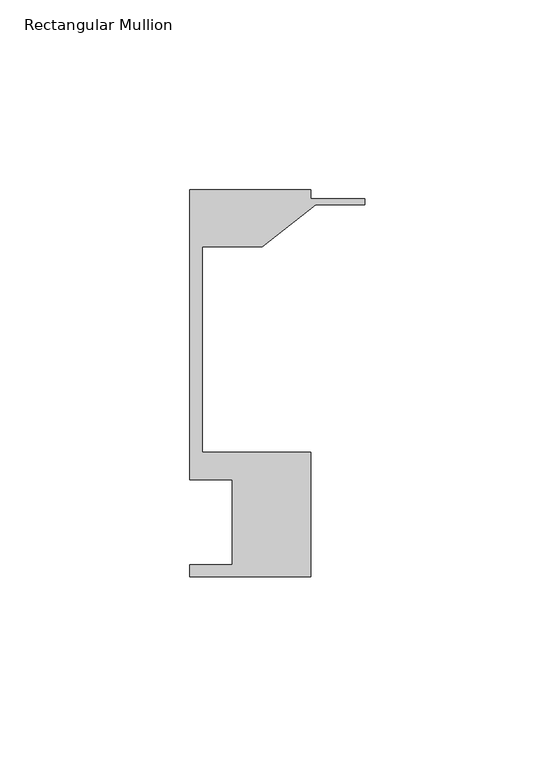
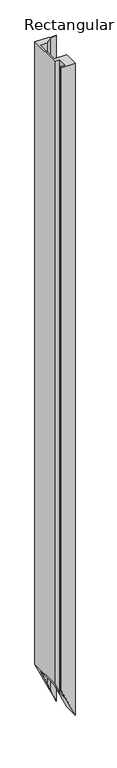
"""IFC4 building model written with IfcOpenShell, lengths in millimetres: member geometry, Rectangular Mullion."""

from ifc_helpers import new_model, si_unit, origin, place, context, project, spatial, faceted_brep, source, transform, mapped, element, save


def rectangular_mullion_acca17b3(model_context):
    return source(origin(), model_context, "Body", "Brep", [
        faceted_brep([(-46.0248, 12.6444375, 0.0), (-14.2748, 12.6444375, 0.0), (-14.2748, 45.4358375, 0.0), (-42.8498, 45.4358375, 0.0), (-42.8498, 99.5124375, 0.0), (-27.0068481, 99.5124375, 0.0), (-12.9857923, 110.6249375, 0.0), (0.0, 110.6249375, 0.0), (0.0, 112.2124375, 0.0), (-14.2748, 112.2124375, 0.0), (-14.2748, 114.4984375, 0.0), (-46.0248, 114.4984375, 0.0), (-46.0248, 38.2984375, 0.0), (-34.9123, 38.2984375, 0.0), (-34.9123, 15.8194375, 0.0), (-46.0248, 15.8194375, 0.0), (-42.8498, 99.5124375, -1481.0060274), (-27.0068481, 99.5124375, -1515.6846815), (-34.9123, 38.2984375, -1498.3804295), (-34.9123, 15.8194375, -1498.3804295), (-46.0248, 38.2984375, -1474.0562665), (-46.0248, 114.4984375, -1474.0562665), (-14.2748, 114.4984375, -1543.5538752), (-46.0248, 15.8194375, -1474.0562665), (-14.2748, 112.2124375, -1543.5538752), (0.0, 112.2124375, -1574.8), (0.0, 110.6249375, -1574.8), (-12.9857923, 110.6249375, -1546.3753855), (-46.0248, 12.6444375, -1474.0562665), (-14.2748, 12.6444375, -1543.5538752), (-14.2748, 45.4358375, -1543.5538752), (-42.8498, 45.4358375, -1481.0060274)], [[[0, 1, 2, 3, 4, 5, 6, 7, 8, 9, 10, 11, 12, 13, 14, 15]], [[5, 4, 16, 17]], [[14, 13, 18, 19]], [[13, 12, 20, 18]], [[12, 11, 21, 20]], [[11, 10, 22, 21]], [[15, 14, 19, 23]], [[10, 9, 24, 22]], [[9, 8, 25, 24]], [[8, 7, 26, 25]], [[7, 6, 27, 26]], [[6, 5, 17, 27]], [[1, 0, 28, 29]], [[2, 1, 29, 30]], [[3, 2, 30, 31]], [[4, 3, 31, 16]], [[0, 15, 23, 28]], [[28, 23, 19, 18, 20, 21, 22, 24, 25, 26, 27, 17, 16, 31, 30, 29]]]),
    ])


if __name__ == "__main__":
    model = new_model("IFC4")
    model_context = context("Model", 3, world=origin())
    ifc_project = project(units=[si_unit("LENGTHUNIT", "METRE", prefix="MILLI")], contexts=[model_context])
    site = spatial("IfcSite", under=ifc_project)
    building = spatial("IfcBuilding", under=site)
    placement = place(None, origin())
    rectangular_mullion_shape = rectangular_mullion_acca17b3(model_context)
    element("IfcMember", 1, ObjectType="Rectangular Mullion", at=placement, inside=building, context=model_context, shape_type="MappedRepresentation", body=[
        mapped(rectangular_mullion_shape, transform((0.0, 0.0, 0.0), x_axis=(1.0, 0.0, 0.0), y_axis=(0.0, 1.0, 0.0), z_axis=(0.0, 0.0, 1.0))),
    ])
    save(model, "model.ifc")
